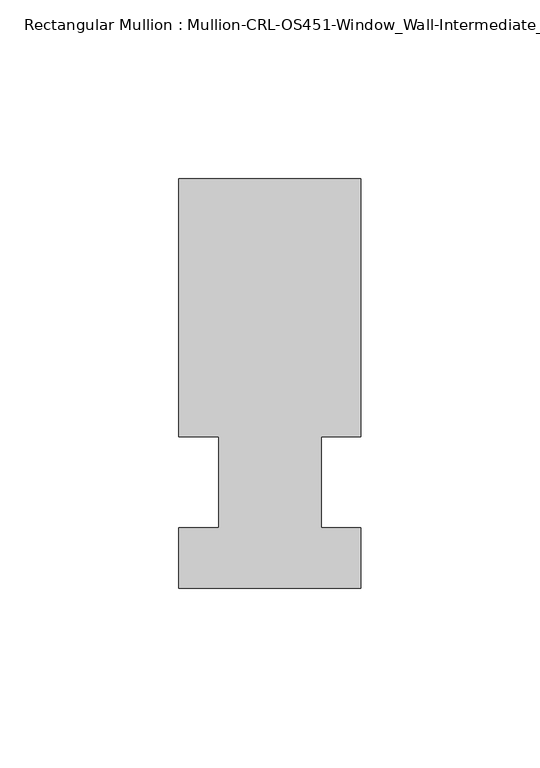
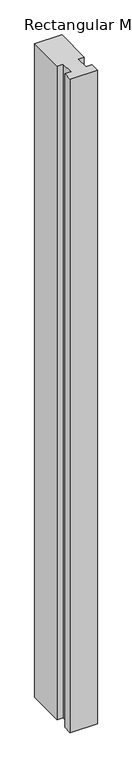
"""IFC4 building model written with IfcOpenShell, lengths in millimetres: member geometry, Rectangular Mullion : Mullion-CRL-OS451-Window_Wall-Intermediate_Horizontal-int."""

from ifc_helpers import new_model, si_unit, frame, origin, place, context, project, spatial, polyline, outline, extrude, source, transform, mapped, element, save


def rectangular_mullion_mullion_crl_os451_window_wall_6fcd5dde(model_context):
    return source(origin(), model_context, "Body", "SweptSolid", [
        extrude(outline(polyline([(-25.4, -12.7), (-14.2786274, -12.7), (-14.2786274, 12.7), (-25.4, 12.7), (-25.4, 84.7104821), (25.4, 84.7104821), (25.4, 12.7), (14.3002899, 12.7), (14.3002899, -12.7), (25.4, -12.7), (25.4, -29.6013756), (-25.4, -29.6013756), (-25.4, -12.7)])), frame((0.0, 0.0, -1290.1083332), z_axis=(0.0, 0.0, 1.0), x_axis=(1.0, 0.0, 0.0)), (0.0, 0.0, 1.0), 1290.1083332),
    ])


if __name__ == "__main__":
    model = new_model("IFC4")
    model_context = context("Model", 3, world=origin())
    ifc_project = project(units=[si_unit("LENGTHUNIT", "METRE", prefix="MILLI")], contexts=[model_context])
    site = spatial("IfcSite", under=ifc_project)
    building = spatial("IfcBuilding", under=site)
    placement = place(None, origin())
    rectangular_mullion_mullion_crl_os451_window_wall_shape = rectangular_mullion_mullion_crl_os451_window_wall_6fcd5dde(model_context)
    element("IfcMember", 1, ObjectType="Rectangular Mullion : Mullion-CRL-OS451-Window_Wall-Intermediate_Horizontal-int", at=placement, inside=building, context=model_context, shape_type="MappedRepresentation", body=[
        mapped(rectangular_mullion_mullion_crl_os451_window_wall_shape, transform((0.0, 0.0, 0.0), x_axis=(1.0, 0.0, 0.0), y_axis=(0.0, 1.0, 0.0), z_axis=(0.0, 0.0, 1.0))),
    ])
    save(model, "model.ifc")
